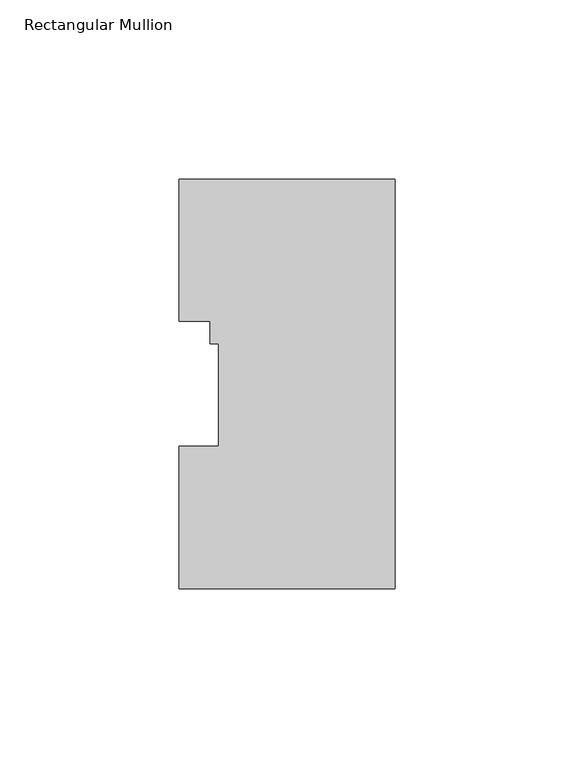
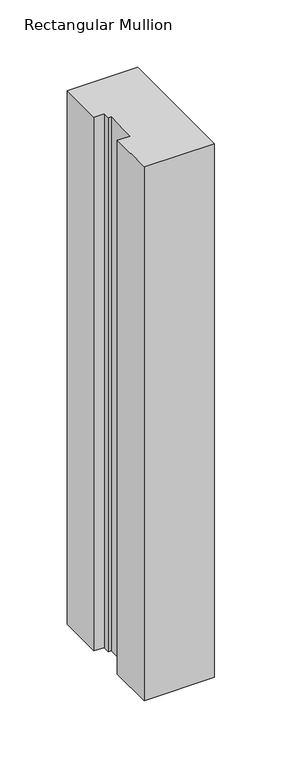
"""IFC4 building model written with IfcOpenShell, lengths in millimetres: member geometry, Rectangular Mullion."""

from ifc_helpers import new_model, si_unit, frame, origin, place, context, project, spatial, polyline, outline, extrude, source, transform, mapped, element, save


def rectangular_mullion_f006d4f8(model_context):
    return source(origin(), model_context, "Body", "SweptSolid", [
        extrude(outline(polyline([(0.0, 114.271425), (0.0, -0.028575), (-60.325, -0.028575), (-60.325, 39.646225), (-49.2125, 39.646225), (-49.2125, 68.246625), (-51.5874, 68.246625), (-51.5874, 74.596625), (-60.325, 74.596625), (-60.325, 114.271425), (0.0, 114.271425)])), frame((0.0, 0.0, -484.5062991), z_axis=(0.0, 0.0, 1.0), x_axis=(1.0, 0.0, 0.0)), (0.0, 0.0, 1.0), 484.5062991),
    ])


if __name__ == "__main__":
    model = new_model("IFC4")
    model_context = context("Model", 3, world=origin())
    ifc_project = project(units=[si_unit("LENGTHUNIT", "METRE", prefix="MILLI")], contexts=[model_context])
    site = spatial("IfcSite", under=ifc_project)
    building = spatial("IfcBuilding", under=site)
    placement = place(None, origin())
    rectangular_mullion_shape = rectangular_mullion_f006d4f8(model_context)
    element("IfcMember", 1, ObjectType="Rectangular Mullion", at=placement, inside=building, context=model_context, shape_type="MappedRepresentation", body=[
        mapped(rectangular_mullion_shape, transform((0.0, 0.0, 0.0), x_axis=(1.0, 0.0, 0.0), y_axis=(0.0, 1.0, 0.0), z_axis=(0.0, 0.0, 1.0))),
    ])
    save(model, "model.ifc")
